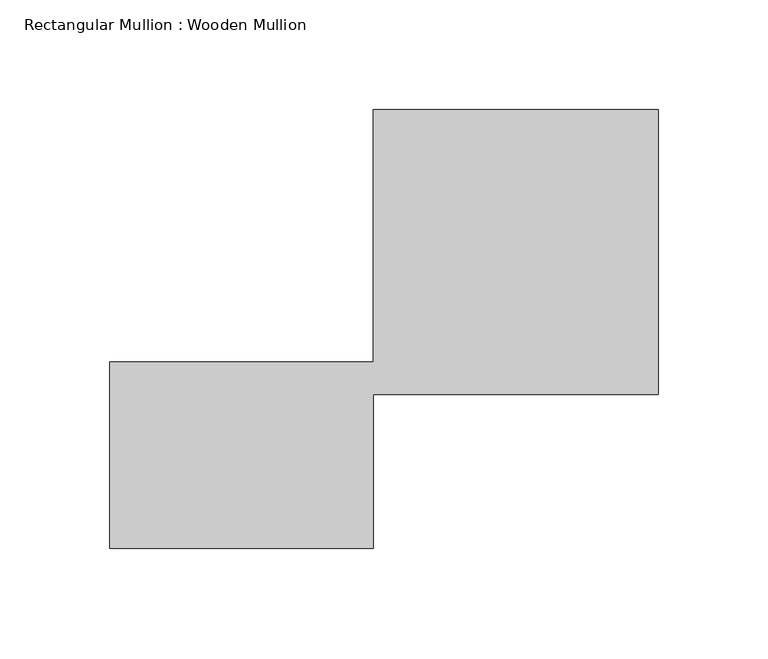
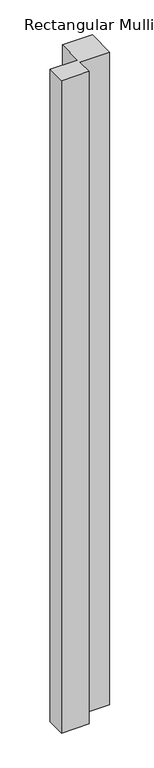
"""IFC4 building model written with IfcOpenShell, lengths in millimetres: member geometry, Rectangular Mullion : Wooden Mullion."""

from ifc_helpers import new_model, si_unit, frame, origin, place, context, project, spatial, polyline, outline, extrude, source, transform, mapped, element, save


def rectangular_mullion_wooden_mullion_8c9020e4(model_context):
    return source(origin(), model_context, "Body", "SweptSolid", [
        extrude(outline(polyline([(74.8100006, -26.0137344), (-45.1899994, -26.0137344), (-45.1899994, 58.9862656), (74.8100006, 58.9862656), (74.8100006, 173.9862656), (204.8100006, 173.9862656), (204.8100006, 43.9862656), (74.8100006, 43.9862656), (74.8100006, -26.0137344)])), frame((0.0, 0.0, -2986.9149002), z_axis=(0.0, 0.0, 1.0), x_axis=(1.0, 0.0, 0.0)), (0.0, 0.0, 1.0), 2986.9149002),
    ])


if __name__ == "__main__":
    model = new_model("IFC4")
    model_context = context("Model", 3, world=origin())
    ifc_project = project(units=[si_unit("LENGTHUNIT", "METRE", prefix="MILLI")], contexts=[model_context])
    site = spatial("IfcSite", under=ifc_project)
    building = spatial("IfcBuilding", under=site)
    placement = place(None, origin())
    rectangular_mullion_wooden_mullion_shape = rectangular_mullion_wooden_mullion_8c9020e4(model_context)
    element("IfcMember", 1, ObjectType="Rectangular Mullion : Wooden Mullion", at=placement, inside=building, context=model_context, shape_type="MappedRepresentation", body=[
        mapped(rectangular_mullion_wooden_mullion_shape, transform((0.0, 0.0, 0.0), x_axis=(1.0, 0.0, 0.0), y_axis=(0.0, 1.0, 0.0), z_axis=(0.0, 0.0, 1.0))),
    ])
    save(model, "model.ifc")
